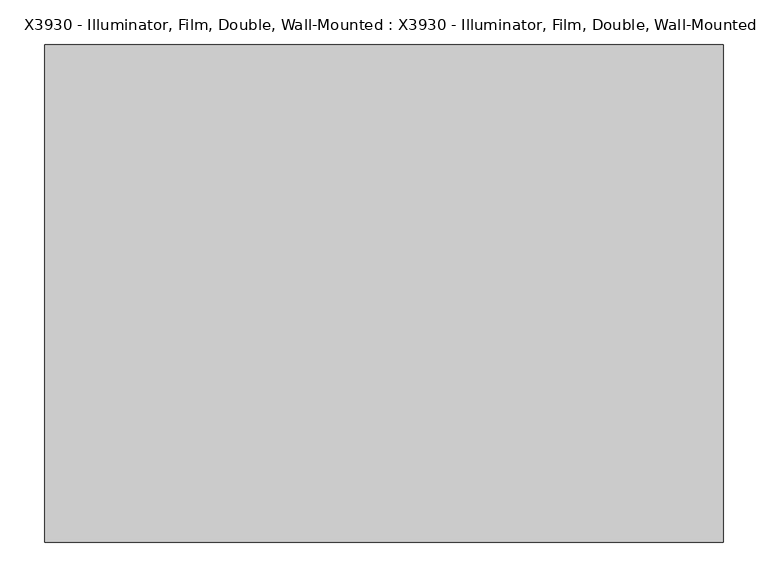
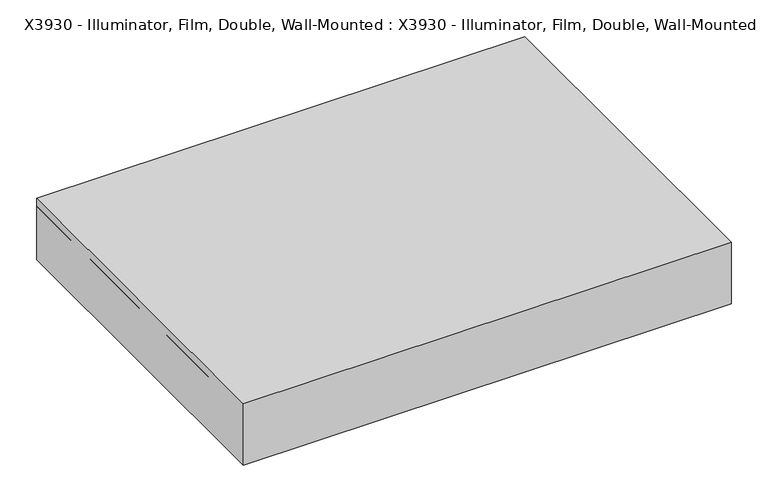
"""IFC4 building model written with IfcOpenShell, lengths in millimetres: proxy geometry, X3930 - Illuminator, Film, Double, Wall-Mounted : X3930 - Illuminator, Film, Double, Wall-Mounted."""

from ifc_helpers import new_model, si_unit, frame, origin, origin_with_axes, place, context, project, spatial, polyline, outline, extrude, source, transform, mapped, element, save


def x3930_illuminator_film_double_wall_mounted_x3930_illuminator_1a3b1ef2(model_context):
    return source(origin(), model_context, "Body", "SweptSolid", [
        extrude(outline(polyline([(-381.0, 279.4), (381.0, 279.4), (381.0, -279.4), (-381.0, -279.4), (-381.0, 279.4)])), origin_with_axes(), (0.0, 0.0, 1.0), 101.6),
        extrude(outline(polyline([(279.4, 228.6), (279.4, 215.9), (-279.4, 215.9), (-279.4, 228.6), (279.4, 228.6)])), frame((0.0, 0.0, 88.9), z_axis=(0.0, 0.0, 1.0), x_axis=(1.0, 0.0, 0.0)), (0.0, 0.0, 1.0), 12.7),
        extrude(outline(polyline([(368.3, 215.9), (368.3, -261.0547399), (-368.3, -261.0547399), (-368.3, 215.9), (368.3, 215.9)])), origin_with_axes(), (0.0, 0.0, 1.0), 88.9),
        extrude(outline(polyline([(381.0, -279.4), (-381.0, -279.4), (-381.0, 279.4), (381.0, 279.4), (381.0, -279.4)]), holes=[polyline([(368.3, -261.0547399), (368.3, 215.9), (-368.3, 215.9), (-368.3, -261.0547399), (368.3, -261.0547399)])]), origin_with_axes(), (0.0, 0.0, 1.0), 88.9),
    ])


if __name__ == "__main__":
    model = new_model("IFC4")
    model_context = context("Model", 3, world=origin())
    ifc_project = project(units=[si_unit("LENGTHUNIT", "METRE", prefix="MILLI")], contexts=[model_context])
    site = spatial("IfcSite", under=ifc_project)
    building = spatial("IfcBuilding", under=site)
    placement = place(None, origin())
    x3930_illuminator_film_double_wall_mounted_x3930_illuminator_shape = x3930_illuminator_film_double_wall_mounted_x3930_illuminator_1a3b1ef2(model_context)
    element("IfcBuildingElementProxy", 1, Name="X3930 - Illuminator, Film, Double, Wall-Mounted : X3930 - Illuminator, Film, Double, Wall-Mounted", ObjectType="X3930 - Illuminator, Film, Double, Wall-Mounted : X3930 - Illuminator, Film, Double, Wall-Mounted", at=placement, inside=building, context=model_context, shape_type="MappedRepresentation", body=[
        mapped(x3930_illuminator_film_double_wall_mounted_x3930_illuminator_shape, transform((0.0, 0.0, 0.0), x_axis=(1.0, 0.0, 0.0), y_axis=(0.0, 1.0, 0.0), z_axis=(0.0, 0.0, 1.0))),
    ])
    save(model, "model.ifc")
